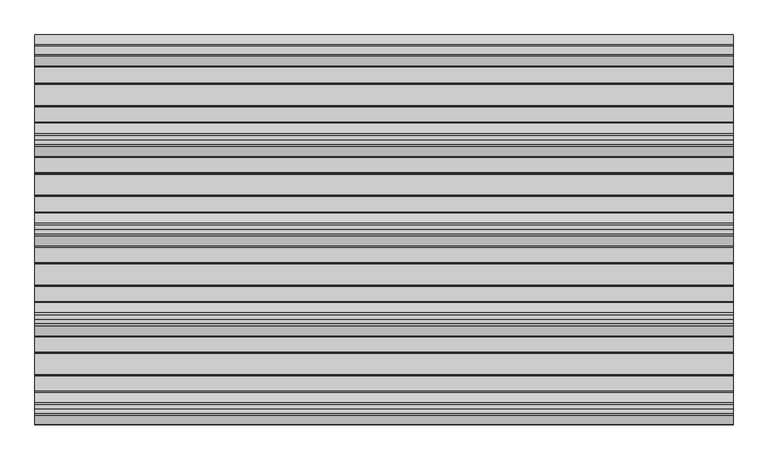
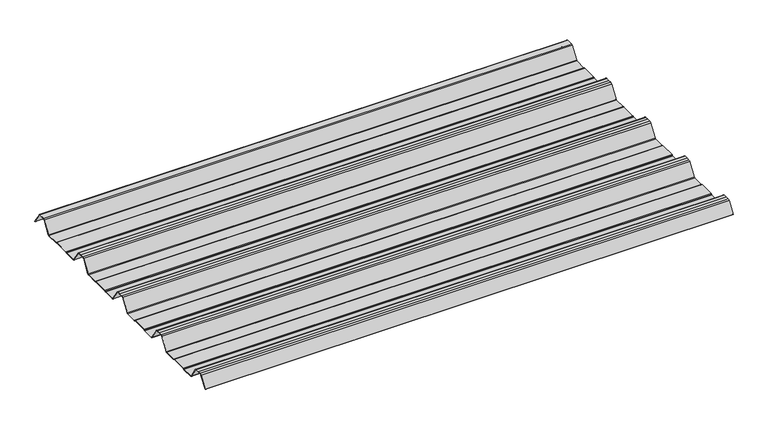
"""IFC4 building model written with IfcOpenShell, lengths in millimetres: beam geometry."""

from ifc_helpers import new_model, si_unit, point, frame, frame_2d, origin, place, context, project, spatial, polyline, circle_curve, trimmed, segment, composite_curve, outline, extrude, source, transform, mapped, element, save


def beam_5d692cdc(model_context):
    return source(origin(), model_context, "Body", "SweptSolid", [
        extrude(outline(composite_curve([segment(trimmed(circle_curve(frame_2d((-42.8221294, -22.7927378)), 1.9969096), [point((-42.8221294, -24.7896475))], [point((-41.1570881, -23.8951378))], True, "CARTESIAN"), True, "CONTINUOUS"), segment(polyline([(-41.1570881, -23.8951378), (-15.2135106, 15.2894853)]), True, "CONTINUOUS"), segment(trimmed(circle_curve(frame_2d((-11.5, 12.6603525)), 4.55), [point((-15.2135106, 15.2894853))], [point((-11.5, 17.2103525))], False, "CARTESIAN"), True, "CONTINUOUS"), segment(polyline([(-11.5, 17.2103525), (11.5, 17.2103525)]), True, "CONTINUOUS"), segment(trimmed(circle_curve(frame_2d((11.5, 12.6603525)), 4.55), [point((11.5, 17.2103525))], [point((15.2135106, 15.2894853))], False, "CARTESIAN"), True, "CONTINUOUS"), segment(polyline([(15.2135106, 15.2894853), (40.2177712, -22.4764137)]), True, "CONTINUOUS"), segment(trimmed(circle_curve(frame_2d((39.8008667, -22.7524402)), 0.5), [point((40.2177712, -22.4764137))], [point((39.3839622, -23.0284667))], False, "CARTESIAN"), True, "CONTINUOUS"), segment(polyline([(39.3839622, -23.0284667), (14.3888612, 14.7235977)]), True, "CONTINUOUS"), segment(trimmed(circle_curve(frame_2d((11.5, 12.6603525)), 3.55), [point((14.3888612, 14.7235977))], [point((11.5, 16.2103525))], True, "CARTESIAN"), True, "CONTINUOUS"), segment(polyline([(11.5, 16.2103525), (-11.5, 16.2103525)]), True, "CONTINUOUS"), segment(trimmed(circle_curve(frame_2d((-11.5, 12.6603525)), 3.55), [point((-11.5, 16.2103525))], [point((-14.3888612, 14.7235977))], True, "CARTESIAN"), True, "CONTINUOUS"), segment(polyline([(-14.3888612, 14.7235977), (-40.3232791, -24.4471908)]), True, "CONTINUOUS"), segment(trimmed(circle_curve(frame_2d((-42.8221294, -22.7927378)), 2.9969096), [point((-40.3232791, -24.4471908))], [point((-42.8221294, -25.7896475))], False, "CARTESIAN"), True, "CONTINUOUS"), segment(polyline([(-42.8221294, -25.7896475), (-85.388552, -25.7896475)]), True, "CONTINUOUS"), segment(trimmed(circle_curve(frame_2d((-85.388552, -24.3396475)), 1.45), [point((-85.388552, -25.7896475))], [point((-86.3205937, -25.4504122))], False, "CARTESIAN"), True, "CONTINUOUS"), segment(polyline([(-86.3205937, -25.4504122), (-87.5888326, -24.386234)]), True, "CONTINUOUS"), segment(trimmed(circle_curve(frame_2d((-89.2279412, -26.3396487)), 2.5500012), [point((-87.5888326, -24.386234))], [point((-89.2279412, -23.7896475))], True, "CARTESIAN"), True, "CONTINUOUS"), segment(polyline([(-89.2279412, -23.7896475), (-143.2720588, -23.7896475)]), True, "CONTINUOUS"), segment(trimmed(circle_curve(frame_2d((-143.2720588, -26.3396487)), 2.5500012), [point((-143.2720588, -23.7896475))], [point((-144.9111674, -24.386234))], True, "CARTESIAN"), True, "CONTINUOUS"), segment(polyline([(-144.9111674, -24.386234), (-146.1794063, -25.4504122)]), True, "CONTINUOUS"), segment(trimmed(circle_curve(frame_2d((-147.111448, -24.3396475)), 1.45), [point((-146.1794063, -25.4504122))], [point((-147.111448, -25.7896475))], False, "CARTESIAN"), True, "CONTINUOUS"), segment(polyline([(-147.111448, -25.7896475), (-186.4999995, -25.7896475)]), True, "CONTINUOUS"), segment(trimmed(circle_curve(frame_2d((-186.4999995, -21.3396478)), 4.4499996), [point((-186.4999995, -25.7896475))], [point((-190.1531515, -23.8807062))], False, "CARTESIAN"), True, "CONTINUOUS"), segment(polyline([(-190.1531515, -23.8807062), (-216.4608773, 15.8539187)]), True, "CONTINUOUS"), segment(trimmed(circle_curve(frame_2d((-221.0, 12.6603525)), 5.55), [point((-216.4608773, 15.8539187))], [point((-221.0, 18.2103525))], True, "CARTESIAN"), True, "CONTINUOUS"), segment(polyline([(-221.0, 18.2103525), (-232.5, 18.2103525), (-244.0, 18.2103525)]), True, "CONTINUOUS"), segment(trimmed(circle_curve(frame_2d((-244.0, 12.6603525)), 5.55), [point((-244.0, 18.2103525))], [point((-248.5391227, 15.8539187))], True, "CARTESIAN"), True, "CONTINUOUS"), segment(polyline([(-248.5391227, 15.8539187), (-274.8468485, -23.8807062)]), True, "CONTINUOUS"), segment(trimmed(circle_curve(frame_2d((-278.5000005, -21.3396478)), 4.4499996), [point((-274.8468485, -23.8807062))], [point((-278.5000005, -25.7896475))], False, "CARTESIAN"), True, "CONTINUOUS"), segment(polyline([(-278.5000005, -25.7896475), (-317.888552, -25.7896475)]), True, "CONTINUOUS"), segment(trimmed(circle_curve(frame_2d((-317.888552, -24.3396475)), 1.45), [point((-317.888552, -25.7896475))], [point((-318.8205937, -25.4504122))], False, "CARTESIAN"), True, "CONTINUOUS"), segment(polyline([(-318.8205937, -25.4504122), (-320.0888326, -24.386234)]), True, "CONTINUOUS"), segment(trimmed(circle_curve(frame_2d((-321.7279412, -26.3396487)), 2.5500012), [point((-320.0888326, -24.386234))], [point((-321.7279412, -23.7896475))], True, "CARTESIAN"), True, "CONTINUOUS"), segment(polyline([(-321.7279412, -23.7896475), (-375.7720588, -23.7896475)]), True, "CONTINUOUS"), segment(trimmed(circle_curve(frame_2d((-375.7720588, -26.3396487)), 2.5500012), [point((-375.7720588, -23.7896475))], [point((-377.4111674, -24.386234))], True, "CARTESIAN"), True, "CONTINUOUS"), segment(polyline([(-377.4111674, -24.386234), (-378.6794063, -25.4504122)]), True, "CONTINUOUS"), segment(trimmed(circle_curve(frame_2d((-379.611448, -24.3396475)), 1.45), [point((-378.6794063, -25.4504122))], [point((-379.611448, -25.7896475))], False, "CARTESIAN"), True, "CONTINUOUS"), segment(polyline([(-379.611448, -25.7896475), (-418.9999995, -25.7896475)]), True, "CONTINUOUS"), segment(trimmed(circle_curve(frame_2d((-418.9999995, -21.3396478)), 4.4499996), [point((-418.9999995, -25.7896475))], [point((-422.6531515, -23.8807062))], False, "CARTESIAN"), True, "CONTINUOUS"), segment(polyline([(-422.6531515, -23.8807062), (-448.9608773, 15.8539187)]), True, "CONTINUOUS"), segment(trimmed(circle_curve(frame_2d((-453.5, 12.6603525)), 5.55), [point((-448.9608773, 15.8539187))], [point((-453.5, 18.2103525))], True, "CARTESIAN"), True, "CONTINUOUS"), segment(polyline([(-453.5, 18.2103525), (-465.0, 18.2103525), (-476.5, 18.2103525)]), True, "CONTINUOUS"), segment(trimmed(circle_curve(frame_2d((-476.5, 12.6603525)), 5.55), [point((-476.5, 18.2103525))], [point((-481.0391227, 15.8539187))], True, "CARTESIAN"), True, "CONTINUOUS"), segment(polyline([(-481.0391227, 15.8539187), (-507.3468485, -23.8807062)]), True, "CONTINUOUS"), segment(trimmed(circle_curve(frame_2d((-511.0000005, -21.3396478)), 4.4499996), [point((-507.3468485, -23.8807062))], [point((-511.0000005, -25.7896475))], False, "CARTESIAN"), True, "CONTINUOUS"), segment(polyline([(-511.0000005, -25.7896475), (-550.388552, -25.7896475)]), True, "CONTINUOUS"), segment(trimmed(circle_curve(frame_2d((-550.388552, -24.3396475)), 1.45), [point((-550.388552, -25.7896475))], [point((-551.3205937, -25.4504122))], False, "CARTESIAN"), True, "CONTINUOUS"), segment(polyline([(-551.3205937, -25.4504122), (-552.5888326, -24.386234)]), True, "CONTINUOUS"), segment(trimmed(circle_curve(frame_2d((-554.2279412, -26.3396487)), 2.5500012), [point((-552.5888326, -24.386234))], [point((-554.2279412, -23.7896475))], True, "CARTESIAN"), True, "CONTINUOUS"), segment(polyline([(-554.2279412, -23.7896475), (-608.2720588, -23.7896475)]), True, "CONTINUOUS"), segment(trimmed(circle_curve(frame_2d((-608.2720588, -26.3396487)), 2.5500012), [point((-608.2720588, -23.7896475))], [point((-609.9111674, -24.386234))], True, "CARTESIAN"), True, "CONTINUOUS"), segment(polyline([(-609.9111674, -24.386234), (-611.1794063, -25.4504122)]), True, "CONTINUOUS"), segment(trimmed(circle_curve(frame_2d((-612.111448, -24.3396475)), 1.45), [point((-611.1794063, -25.4504122))], [point((-612.111448, -25.7896475))], False, "CARTESIAN"), True, "CONTINUOUS"), segment(polyline([(-612.111448, -25.7896475), (-651.4999995, -25.7896475)]), True, "CONTINUOUS"), segment(trimmed(circle_curve(frame_2d((-651.4999995, -21.3396478)), 4.4499996), [point((-651.4999995, -25.7896475))], [point((-655.1531515, -23.8807062))], False, "CARTESIAN"), True, "CONTINUOUS"), segment(polyline([(-655.1531515, -23.8807062), (-681.4608773, 15.8539187)]), True, "CONTINUOUS"), segment(trimmed(circle_curve(frame_2d((-686.0, 12.6603525)), 5.55), [point((-681.4608773, 15.8539187))], [point((-686.0, 18.2103525))], True, "CARTESIAN"), True, "CONTINUOUS"), segment(polyline([(-686.0, 18.2103525), (-697.5, 18.2103525), (-709.0, 18.2103525)]), True, "CONTINUOUS"), segment(trimmed(circle_curve(frame_2d((-709.0, 12.6603525)), 5.55), [point((-709.0, 18.2103525))], [point((-713.5391227, 15.8539187))], True, "CARTESIAN"), True, "CONTINUOUS"), segment(polyline([(-713.5391227, 15.8539187), (-739.8468485, -23.8807062)]), True, "CONTINUOUS"), segment(trimmed(circle_curve(frame_2d((-743.5000005, -21.3396478)), 4.4499996), [point((-739.8468485, -23.8807062))], [point((-743.5000005, -25.7896475))], False, "CARTESIAN"), True, "CONTINUOUS"), segment(polyline([(-743.5000005, -25.7896475), (-782.888552, -25.7896475)]), True, "CONTINUOUS"), segment(trimmed(circle_curve(frame_2d((-782.888552, -24.3396475)), 1.45), [point((-782.888552, -25.7896475))], [point((-783.8205937, -25.4504122))], False, "CARTESIAN"), True, "CONTINUOUS"), segment(polyline([(-783.8205937, -25.4504122), (-785.0888326, -24.386234)]), True, "CONTINUOUS"), segment(trimmed(circle_curve(frame_2d((-786.7279412, -26.3396487)), 2.5500012), [point((-785.0888326, -24.386234))], [point((-786.7279412, -23.7896475))], True, "CARTESIAN"), True, "CONTINUOUS"), segment(polyline([(-786.7279412, -23.7896475), (-840.7720588, -23.7896475)]), True, "CONTINUOUS"), segment(trimmed(circle_curve(frame_2d((-840.7720588, -26.3396487)), 2.5500012), [point((-840.7720588, -23.7896475))], [point((-842.4111674, -24.386234))], True, "CARTESIAN"), True, "CONTINUOUS"), segment(polyline([(-842.4111674, -24.386234), (-843.6794063, -25.4504122)]), True, "CONTINUOUS"), segment(trimmed(circle_curve(frame_2d((-844.611448, -24.3396475)), 1.45), [point((-843.6794063, -25.4504122))], [point((-844.611448, -25.7896475))], False, "CARTESIAN"), True, "CONTINUOUS"), segment(polyline([(-844.611448, -25.7896475), (-883.9999995, -25.7896475)]), True, "CONTINUOUS"), segment(trimmed(circle_curve(frame_2d((-883.9999995, -21.3396478)), 4.4499996), [point((-883.9999995, -25.7896475))], [point((-887.6531515, -23.8807062))], False, "CARTESIAN"), True, "CONTINUOUS"), segment(polyline([(-887.6531515, -23.8807062), (-913.9608773, 15.8539187)]), True, "CONTINUOUS"), segment(trimmed(circle_curve(frame_2d((-918.5, 12.6603525)), 5.55), [point((-913.9608773, 15.8539187))], [point((-918.5, 18.2103525))], True, "CARTESIAN"), True, "CONTINUOUS"), segment(polyline([(-918.5, 18.2103525), (-930.0, 18.2103525), (-941.5, 18.2103525)]), True, "CONTINUOUS"), segment(trimmed(circle_curve(frame_2d((-941.5, 12.6603525)), 5.55), [point((-941.5, 18.2103525))], [point((-946.0391227, 15.8539187))], True, "CARTESIAN"), True, "CONTINUOUS"), segment(polyline([(-946.0391227, 15.8539187), (-969.9715304, -20.2930766)]), True, "CONTINUOUS"), segment(trimmed(circle_curve(frame_2d((-970.3884349, -20.0170501)), 0.5), [point((-969.9715304, -20.2930766))], [point((-970.8053395, -19.7410236))], False, "CARTESIAN"), True, "CONTINUOUS"), segment(polyline([(-970.8053395, -19.7410236), (-946.8654458, 16.4172784)]), True, "CONTINUOUS"), segment(trimmed(circle_curve(frame_2d((-941.5, 12.6603525)), 6.55), [point((-946.8654458, 16.4172784))], [point((-941.5, 19.2103525))], False, "CARTESIAN"), True, "CONTINUOUS"), segment(polyline([(-941.5, 19.2103525), (-930.0, 19.2103525), (-918.5, 19.2103525)]), True, "CONTINUOUS"), segment(trimmed(circle_curve(frame_2d((-918.5, 12.6603525)), 6.55), [point((-918.5, 19.2103525))], [point((-913.1345542, 16.4172784))], False, "CARTESIAN"), True, "CONTINUOUS"), segment(polyline([(-913.1345542, 16.4172784), (-886.8260739, -23.3184861)]), True, "CONTINUOUS"), segment(trimmed(circle_curve(frame_2d((-883.9999995, -21.3396478)), 3.4499996), [point((-886.8260739, -23.3184861))], [point((-883.9999995, -24.7896475))], True, "CARTESIAN"), True, "CONTINUOUS"), segment(polyline([(-883.9999995, -24.7896475), (-844.8915726, -24.7896475)]), True, "CONTINUOUS"), segment(trimmed(circle_curve(frame_2d((-844.8915726, -23.5700111)), 1.2196364), [point((-844.8915726, -24.7896475))], [point((-844.1076057, -24.504307))], True, "CARTESIAN"), True, "CONTINUOUS"), segment(polyline([(-844.1076057, -24.504307), (-843.0539548, -23.6201894)]), True, "CONTINUOUS"), segment(trimmed(circle_curve(frame_2d((-840.7720588, -26.3396487)), 3.5500012), [point((-843.0539548, -23.6201894))], [point((-840.7720588, -22.7896475))], False, "CARTESIAN"), True, "CONTINUOUS"), segment(polyline([(-840.7720588, -22.7896475), (-786.7279412, -22.7896475)]), True, "CONTINUOUS"), segment(trimmed(circle_curve(frame_2d((-786.7279412, -26.3396487)), 3.5500012), [point((-786.7279412, -22.7896475))], [point((-784.4460452, -23.6201894))], False, "CARTESIAN"), True, "CONTINUOUS"), segment(polyline([(-784.4460452, -23.6201894), (-783.3923943, -24.504307)]), True, "CONTINUOUS"), segment(trimmed(circle_curve(frame_2d((-782.6084274, -23.5700111)), 1.2196364), [point((-783.3923943, -24.504307))], [point((-782.6084274, -24.7896475))], True, "CARTESIAN"), True, "CONTINUOUS"), segment(polyline([(-782.6084274, -24.7896475), (-743.5000005, -24.7896475)]), True, "CONTINUOUS"), segment(trimmed(circle_curve(frame_2d((-743.5000005, -21.3396478)), 3.4499996), [point((-743.5000005, -24.7896475))], [point((-740.6739261, -23.3184861))], True, "CARTESIAN"), True, "CONTINUOUS"), segment(polyline([(-740.6739261, -23.3184861), (-714.3654458, 16.4172784)]), True, "CONTINUOUS"), segment(trimmed(circle_curve(frame_2d((-709.0, 12.6603525)), 6.55), [point((-714.3654458, 16.4172784))], [point((-709.0, 19.2103525))], False, "CARTESIAN"), True, "CONTINUOUS"), segment(polyline([(-709.0, 19.2103525), (-697.5, 19.2103525), (-686.0, 19.2103525)]), True, "CONTINUOUS"), segment(trimmed(circle_curve(frame_2d((-686.0, 12.6603525)), 6.55), [point((-686.0, 19.2103525))], [point((-680.6345542, 16.4172784))], False, "CARTESIAN"), True, "CONTINUOUS"), segment(polyline([(-680.6345542, 16.4172784), (-654.3260739, -23.3184861)]), True, "CONTINUOUS"), segment(trimmed(circle_curve(frame_2d((-651.4999995, -21.3396478)), 3.4499996), [point((-654.3260739, -23.3184861))], [point((-651.4999995, -24.7896475))], True, "CARTESIAN"), True, "CONTINUOUS"), segment(polyline([(-651.4999995, -24.7896475), (-612.3915726, -24.7896475)]), True, "CONTINUOUS"), segment(trimmed(circle_curve(frame_2d((-612.3915726, -23.5700111)), 1.2196364), [point((-612.3915726, -24.7896475))], [point((-611.6076057, -24.504307))], True, "CARTESIAN"), True, "CONTINUOUS"), segment(polyline([(-611.6076057, -24.504307), (-610.5539548, -23.6201894)]), True, "CONTINUOUS"), segment(trimmed(circle_curve(frame_2d((-608.2720588, -26.3396487)), 3.5500012), [point((-610.5539548, -23.6201894))], [point((-608.2720588, -22.7896475))], False, "CARTESIAN"), True, "CONTINUOUS"), segment(polyline([(-608.2720588, -22.7896475), (-554.2279412, -22.7896475)]), True, "CONTINUOUS"), segment(trimmed(circle_curve(frame_2d((-554.2279412, -26.3396487)), 3.5500012), [point((-554.2279412, -22.7896475))], [point((-551.9460452, -23.6201894))], False, "CARTESIAN"), True, "CONTINUOUS"), segment(polyline([(-551.9460452, -23.6201894), (-550.8923943, -24.504307)]), True, "CONTINUOUS"), segment(trimmed(circle_curve(frame_2d((-550.1084274, -23.5700111)), 1.2196364), [point((-550.8923943, -24.504307))], [point((-550.1084274, -24.7896475))], True, "CARTESIAN"), True, "CONTINUOUS"), segment(polyline([(-550.1084274, -24.7896475), (-511.0000005, -24.7896475)]), True, "CONTINUOUS"), segment(trimmed(circle_curve(frame_2d((-511.0000005, -21.3396478)), 3.4499996), [point((-511.0000005, -24.7896475))], [point((-508.1739261, -23.3184861))], True, "CARTESIAN"), True, "CONTINUOUS"), segment(polyline([(-508.1739261, -23.3184861), (-481.8654458, 16.4172784)]), True, "CONTINUOUS"), segment(trimmed(circle_curve(frame_2d((-476.5, 12.6603525)), 6.55), [point((-481.8654458, 16.4172784))], [point((-476.5, 19.2103525))], False, "CARTESIAN"), True, "CONTINUOUS"), segment(polyline([(-476.5, 19.2103525), (-465.0, 19.2103525), (-453.5, 19.2103525)]), True, "CONTINUOUS"), segment(trimmed(circle_curve(frame_2d((-453.5, 12.6603525)), 6.55), [point((-453.5, 19.2103525))], [point((-448.1345542, 16.4172784))], False, "CARTESIAN"), True, "CONTINUOUS"), segment(polyline([(-448.1345542, 16.4172784), (-421.8260739, -23.3184861)]), True, "CONTINUOUS"), segment(trimmed(circle_curve(frame_2d((-418.9999995, -21.3396478)), 3.4499996), [point((-421.8260739, -23.3184861))], [point((-418.9999995, -24.7896475))], True, "CARTESIAN"), True, "CONTINUOUS"), segment(polyline([(-418.9999995, -24.7896475), (-379.8915726, -24.7896475)]), True, "CONTINUOUS"), segment(trimmed(circle_curve(frame_2d((-379.8915726, -23.5700111)), 1.2196364), [point((-379.8915726, -24.7896475))], [point((-379.1076057, -24.504307))], True, "CARTESIAN"), True, "CONTINUOUS"), segment(polyline([(-379.1076057, -24.504307), (-378.0539548, -23.6201894)]), True, "CONTINUOUS"), segment(trimmed(circle_curve(frame_2d((-375.7720588, -26.3396487)), 3.5500012), [point((-378.0539548, -23.6201894))], [point((-375.7720588, -22.7896475))], False, "CARTESIAN"), True, "CONTINUOUS"), segment(polyline([(-375.7720588, -22.7896475), (-321.7279412, -22.7896475)]), True, "CONTINUOUS"), segment(trimmed(circle_curve(frame_2d((-321.7279412, -26.3396487)), 3.5500012), [point((-321.7279412, -22.7896475))], [point((-319.4460452, -23.6201894))], False, "CARTESIAN"), True, "CONTINUOUS"), segment(polyline([(-319.4460452, -23.6201894), (-318.3923943, -24.504307)]), True, "CONTINUOUS"), segment(trimmed(circle_curve(frame_2d((-317.6084274, -23.5700111)), 1.2196364), [point((-318.3923943, -24.504307))], [point((-317.6084274, -24.7896475))], True, "CARTESIAN"), True, "CONTINUOUS"), segment(polyline([(-317.6084274, -24.7896475), (-278.5000005, -24.7896475)]), True, "CONTINUOUS"), segment(trimmed(circle_curve(frame_2d((-278.5000005, -21.3396478)), 3.4499996), [point((-278.5000005, -24.7896475))], [point((-275.6739261, -23.3184861))], True, "CARTESIAN"), True, "CONTINUOUS"), segment(polyline([(-275.6739261, -23.3184861), (-249.3654458, 16.4172784)]), True, "CONTINUOUS"), segment(trimmed(circle_curve(frame_2d((-244.0, 12.6603525)), 6.55), [point((-249.3654458, 16.4172784))], [point((-244.0, 19.2103525))], False, "CARTESIAN"), True, "CONTINUOUS"), segment(polyline([(-244.0, 19.2103525), (-232.5, 19.2103525), (-221.0, 19.2103525)]), True, "CONTINUOUS"), segment(trimmed(circle_curve(frame_2d((-221.0, 12.6603525)), 6.55), [point((-221.0, 19.2103525))], [point((-215.6345542, 16.4172784))], False, "CARTESIAN"), True, "CONTINUOUS"), segment(polyline([(-215.6345542, 16.4172784), (-189.3260739, -23.3184861)]), True, "CONTINUOUS"), segment(trimmed(circle_curve(frame_2d((-186.4999995, -21.3396478)), 3.4499996), [point((-189.3260739, -23.3184861))], [point((-186.4999995, -24.7896475))], True, "CARTESIAN"), True, "CONTINUOUS"), segment(polyline([(-186.4999995, -24.7896475), (-147.3915726, -24.7896475)]), True, "CONTINUOUS"), segment(trimmed(circle_curve(frame_2d((-147.3915726, -23.5700111)), 1.2196364), [point((-147.3915726, -24.7896475))], [point((-146.6076057, -24.504307))], True, "CARTESIAN"), True, "CONTINUOUS"), segment(polyline([(-146.6076057, -24.504307), (-145.5539548, -23.6201894)]), True, "CONTINUOUS"), segment(trimmed(circle_curve(frame_2d((-143.2720588, -26.3396487)), 3.5500012), [point((-145.5539548, -23.6201894))], [point((-143.2720588, -22.7896475))], False, "CARTESIAN"), True, "CONTINUOUS"), segment(polyline([(-143.2720588, -22.7896475), (-89.2279412, -22.7896475)]), True, "CONTINUOUS"), segment(trimmed(circle_curve(frame_2d((-89.2279412, -26.3396487)), 3.5500012), [point((-89.2279412, -22.7896475))], [point((-86.9460452, -23.6201894))], False, "CARTESIAN"), True, "CONTINUOUS"), segment(polyline([(-86.9460452, -23.6201894), (-85.8923943, -24.504307)]), True, "CONTINUOUS"), segment(trimmed(circle_curve(frame_2d((-85.1084274, -23.5700111)), 1.2196364), [point((-85.8923943, -24.504307))], [point((-85.1084274, -24.7896475))], True, "CARTESIAN"), True, "CONTINUOUS"), segment(polyline([(-85.1084274, -24.7896475), (-42.8221294, -24.7896475)]), True, "CONTINUOUS")], self_intersect=False)), frame((-905.0, 0.0, 0.0), z_axis=(1.0, 0.0, 0.0), x_axis=(0.0, 1.0, 0.0)), (0.0, 0.0, 1.0), 1810.0),
    ])


if __name__ == "__main__":
    model = new_model("IFC4")
    model_context = context("Model", 3, world=origin())
    ifc_project = project(units=[si_unit("LENGTHUNIT", "METRE", prefix="MILLI")], contexts=[model_context])
    site = spatial("IfcSite", under=ifc_project)
    building = spatial("IfcBuilding", under=site)
    placement = place(None, origin())
    beam_shape = beam_5d692cdc(model_context)
    element("IfcBeam", 1, at=placement, inside=building, context=model_context, shape_type="MappedRepresentation", body=[
        mapped(beam_shape, transform((0.0, 0.0, 0.0), x_axis=(1.0, 0.0, 0.0), y_axis=(0.0, 1.0, 0.0), z_axis=(0.0, 0.0, 1.0))),
    ])
    save(model, "model.ifc")
